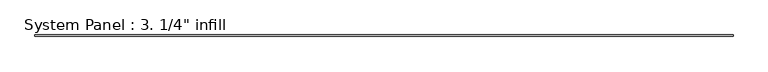
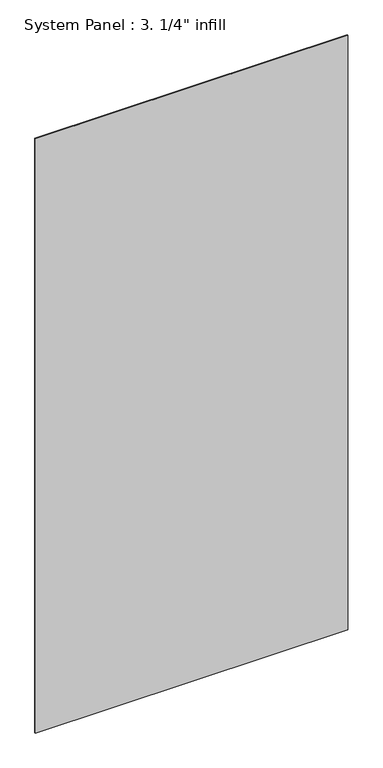
"""IFC4 building model written with IfcOpenShell, lengths in millimetres: plate geometry."""

from ifc_helpers import new_model, si_unit, origin, origin_with_axes, place, context, project, spatial, polyline, outline, extrude, source, transform, mapped, element, save


def plate_601a0b89(model_context):
    return source(origin(), model_context, "Body", "SweptSolid", [
        extrude(outline(polyline([(1492.25, -61.0195312), (-1492.25, -61.0195312), (-1492.25, -54.6695312), (1492.25, -54.6695312), (1492.25, -61.0195312)])), origin_with_axes(), (0.0, 0.0, 1.0), 6000.75),
    ])


if __name__ == "__main__":
    model = new_model("IFC4")
    model_context = context("Model", 3, world=origin())
    ifc_project = project(units=[si_unit("LENGTHUNIT", "METRE", prefix="MILLI")], contexts=[model_context])
    site = spatial("IfcSite", under=ifc_project)
    building = spatial("IfcBuilding", under=site)
    placement = place(None, origin())
    plate_shape = plate_601a0b89(model_context)
    element("IfcPlate", 1, ObjectType="System Panel : 3. 1/4\" infill", at=placement, inside=building, context=model_context, shape_type="MappedRepresentation", body=[
        mapped(plate_shape, transform((0.0, 0.0, 0.0), x_axis=(1.0, 0.0, 0.0), y_axis=(0.0, 1.0, 0.0), z_axis=(0.0, 0.0, 1.0))),
    ])
    save(model, "model.ifc")
